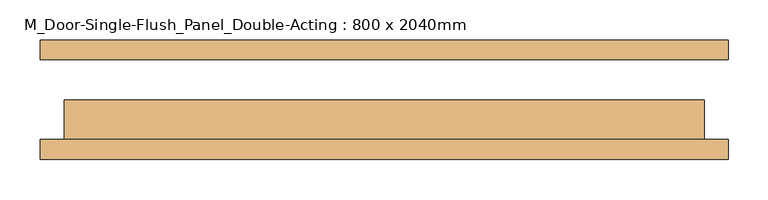
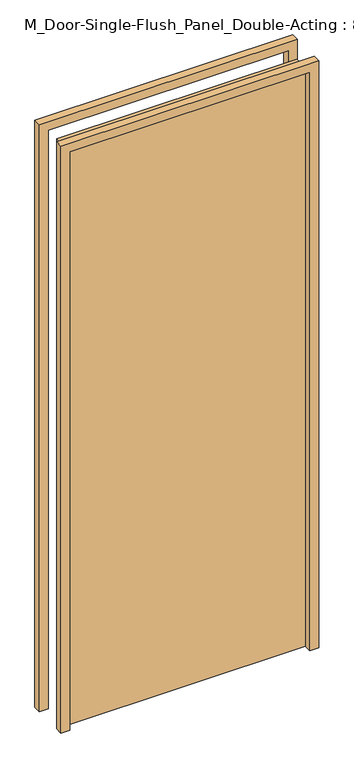
"""IFC4 building model written with IfcOpenShell, lengths in millimetres: door geometry, M_Door-Single-Flush_Panel_Double-Acting : 800 x 2040mm."""

from ifc_helpers import new_model, si_unit, frame, origin, origin_with_axes, place, context, project, spatial, polyline, outline, extrude, source, transform, mapped, element, save


def m_door_single_flush_panel_double_acting_800_x_2040mm_3f8a7324(model_context):
    return source(origin(), model_context, "Body", "SweptSolid", [
        extrude(outline(polyline([(400.0, 0.0), (400.0, -50.0), (-400.0, -50.0), (-400.0, 0.0), (400.0, 0.0)])), origin_with_axes(), (0.0, 0.0, 1.0), 2040.0),
        extrude(outline(polyline([(0.0, -400.0), (2040.0, -400.0), (2040.0, 400.0), (0.0, 400.0), (0.0, 430.0), (2070.0, 430.0), (2070.0, -430.0), (0.0, -430.0), (0.0, -400.0)])), frame((0.0, -75.0, 0.0), z_axis=(0.0, 1.0, 0.0), x_axis=(0.0, 0.0, 1.0)), (0.0, 0.0, 1.0), 25.0),
        extrude(outline(polyline([(0.0, 400.0), (0.0, 430.0), (2070.0, 430.0), (2070.0, -430.0), (0.0, -430.0), (0.0, -400.0), (2040.0, -400.0), (2040.0, 400.0), (0.0, 400.0)])), frame((0.0, 50.0, 0.0), z_axis=(0.0, 1.0, 0.0), x_axis=(0.0, 0.0, 1.0)), (0.0, 0.0, 1.0), 25.0),
    ])


if __name__ == "__main__":
    model = new_model("IFC4")
    model_context = context("Model", 3, world=origin())
    ifc_project = project(units=[si_unit("LENGTHUNIT", "METRE", prefix="MILLI")], contexts=[model_context])
    site = spatial("IfcSite", under=ifc_project)
    building = spatial("IfcBuilding", under=site)
    placement = place(None, origin())
    m_door_single_flush_panel_double_acting_800_x_2040mm_shape = m_door_single_flush_panel_double_acting_800_x_2040mm_3f8a7324(model_context)
    element("IfcDoor", 1, ObjectType="M_Door-Single-Flush_Panel_Double-Acting : 800 x 2040mm", at=placement, inside=building, context=model_context, shape_type="MappedRepresentation", body=[
        mapped(m_door_single_flush_panel_double_acting_800_x_2040mm_shape, transform((0.0, 0.0, 0.0), x_axis=(1.0, 0.0, 0.0), y_axis=(0.0, 1.0, 0.0), z_axis=(0.0, 0.0, 1.0))),
    ])
    save(model, "model.ifc")
